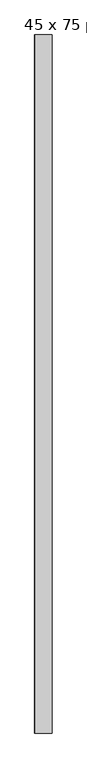
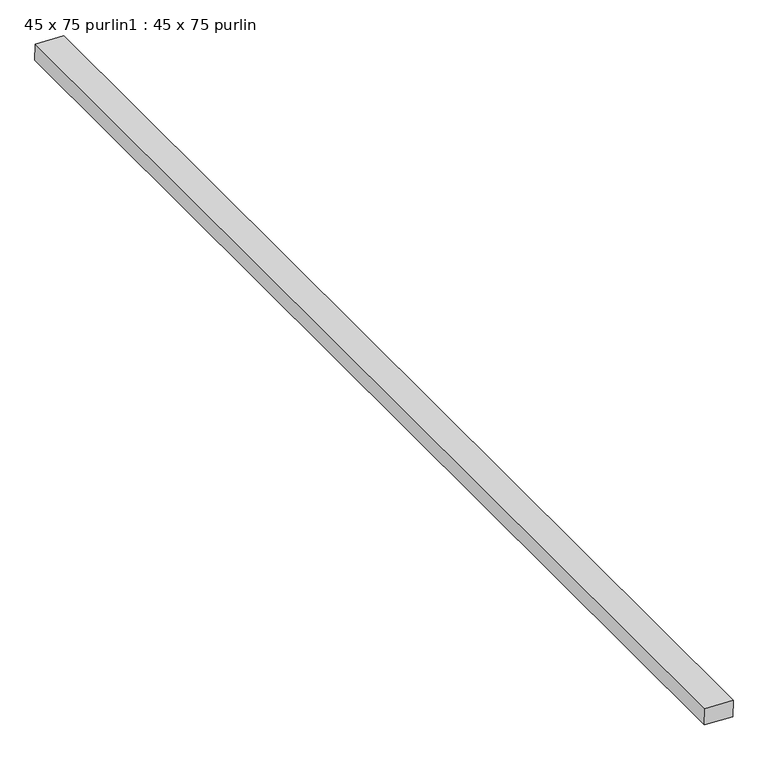
"""IFC4 building model written with IfcOpenShell, lengths in millimetres: proxy geometry, 45 x 75 purlin1 : 45 x 75 purlin."""

from ifc_helpers import new_model, si_unit, frame, origin, place, context, project, spatial, polyline, outline, extrude, source, transform, mapped, element, save


def proxy_45_x_75_purlin1_45_x_75_purlin_b6458e81(model_context):
    return source(origin(), model_context, "Body", "SweptSolid", [
        extrude(outline(polyline([(0.0, -75.0), (0.0, 0.0), (3090.0, 0.0), (3090.0, -75.0), (0.0, -75.0)])), frame((-12662.7053256, -1340.716349, 3815.1344487), z_axis=(0.03489949670249841, 0.0, 0.9993908270190959), x_axis=(0.0, 1.0, 0.0)), (0.0, 0.0, 1.0), 45.0),
    ])


if __name__ == "__main__":
    model = new_model("IFC4")
    model_context = context("Model", 3, world=origin())
    ifc_project = project(units=[si_unit("LENGTHUNIT", "METRE", prefix="MILLI")], contexts=[model_context])
    site = spatial("IfcSite", under=ifc_project)
    building = spatial("IfcBuilding", under=site)
    placement = place(None, origin())
    proxy_45_x_75_purlin1_45_x_75_purlin_shape = proxy_45_x_75_purlin1_45_x_75_purlin_b6458e81(model_context)
    element("IfcBuildingElementProxy", 1, Name="45 x 75 purlin1 : 45 x 75 purlin", ObjectType="45 x 75 purlin1 : 45 x 75 purlin", at=placement, inside=building, context=model_context, shape_type="MappedRepresentation", body=[
        mapped(proxy_45_x_75_purlin1_45_x_75_purlin_shape, transform((0.0, 0.0, 0.0), x_axis=(1.0, 0.0, 0.0), y_axis=(0.0, 1.0, 0.0), z_axis=(0.0, 0.0, 1.0))),
    ])
    save(model, "model.ifc")
